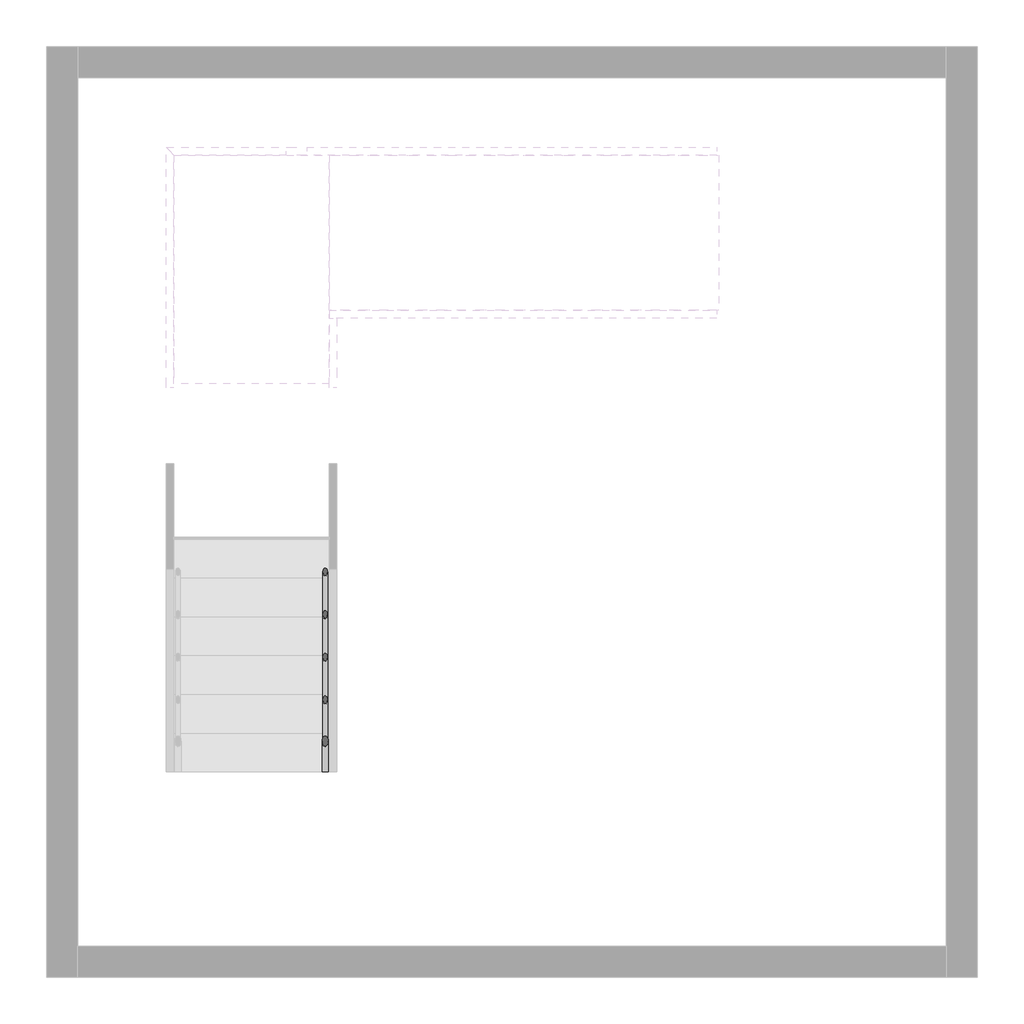
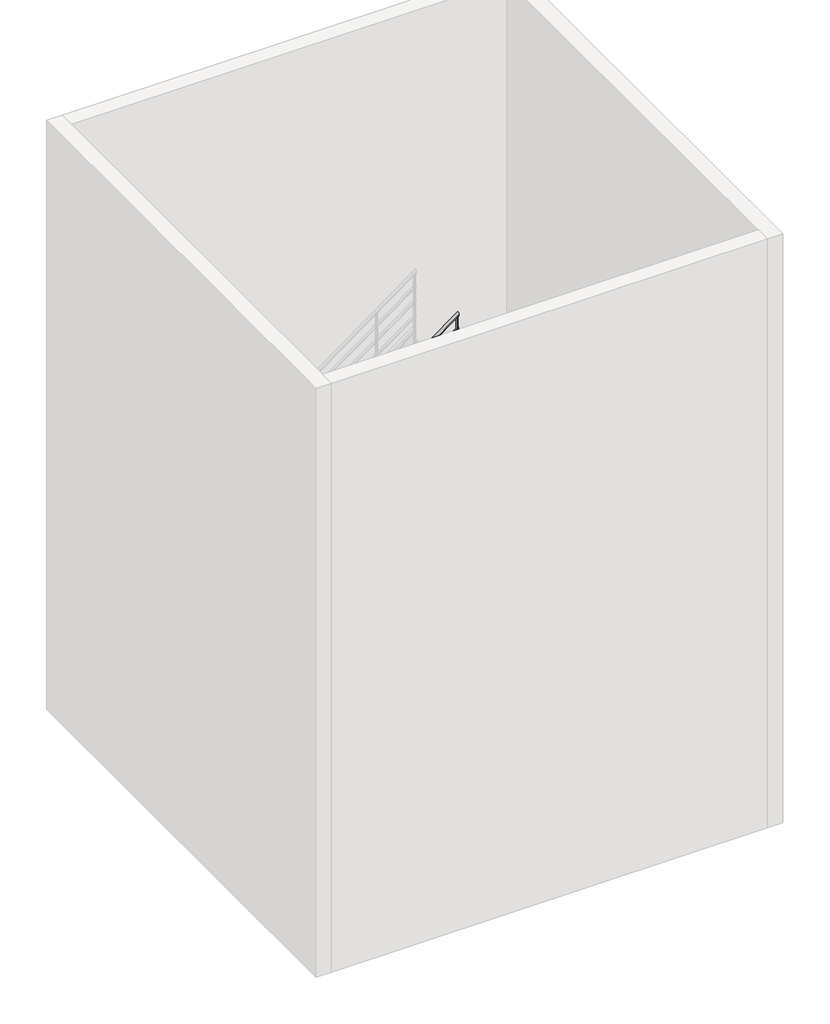
# One storey, part 3 of 7: 1 railing.
"""IFC4 building model written with IfcOpenShell, lengths in millimetres."""

from ifc_helpers import new_model, si_unit, point, frame, frame_2d, origin, place, context, project, spatial, circle_curve, ellipse_curve, trimmed, segment, composite_curve, outline, extrude, element, save
from ifc_brep_helpers import plane_surface, cylinder_surface, advanced_brep

model = new_model("IFC4")

# Units and contexts
model_context = context("Model", 3, world=origin())
ifc_project = project(units=[si_unit("LENGTHUNIT", "METRE", prefix="MILLI")], contexts=[model_context])

# Site, building, storey
site = spatial("IfcSite", under=ifc_project)
building = spatial("IfcBuilding", under=site)
storey = spatial("IfcBuildingStorey", under=building, Elevation=0.0)

# Railing
placement = place(None, origin())
element("IfcRailing", 1, at=placement, inside=storey, context=model_context, shape_type="SolidModel", body=[
    advanced_brep(
    [(-4125.8675457, -20822.7019092, 1057.0882354), (-4165.8675457, -20822.7019092, 1057.0882354), (-4125.8675457, -18316.198233, 2880.0), (-4165.8675457, -18316.198233, 2880.0), (-4125.8675457, -17822.8676251, 2880.0), (-4165.8675457, -17822.8676251, 2880.0)],
    [
        (0, 1, ellipse_curve(frame((-4145.8675457, -20822.7019092, 1057.0882354), z_axis=(0.0, -1.0, 0.0), x_axis=(0.0, 0.0, -1.0)), 24.7299464, 20.0)),
        (1, 0, ellipse_curve(frame((-4145.8675457, -20822.7019092, 1057.0882354), z_axis=(0.0, -1.0, 0.0), x_axis=(0.0, 0.0, -1.0)), 24.7299464, 20.0)),
        (0, 2),
        (2, 3, ellipse_curve(frame((-4145.8675457, -18316.198233, 2880.0), z_axis=(0.0, -0.9509826718461248, -0.3092441718907663), x_axis=(0.0, 0.309244171890767, -0.9509826718461245)), 21.0308774, 20.0)),
        (3, 1),
        (3, 2, ellipse_curve(frame((-4145.8675457, -18316.198233, 2880.0), z_axis=(0.0, -0.9509826718461248, -0.3092441718907663), x_axis=(0.0, 0.309244171890767, -0.9509826718461245)), 21.0308774, 20.0)),
        (4, 5, ellipse_curve(frame((-4145.8675457, -17822.8676251, 2880.0), z_axis=(0.0, 0.7071067811865476, 0.7071067811865476), x_axis=(0.0, -0.7071067811865474, 0.7071067811865478)), 28.2842712, 20.0)),
        (5, 4, ellipse_curve(frame((-4145.8675457, -17822.8676251, 2880.0), z_axis=(0.0, 0.7071067811865476, 0.7071067811865476), x_axis=(0.0, -0.7071067811865474, 0.7071067811865478)), 28.2842712, 20.0)),
        (2, 4),
        (5, 3),
    ],
    [
        plane_surface(frame((-4145.8675457, -20822.7019092, 1081.8181818), z_axis=(0.0, -1.0, 0.0), x_axis=(0.0, 0.0, 1.0))),
        cylinder_surface(frame((-4145.8675457, -20810.9384753, 1065.6434601), z_axis=(0.0, -0.8087360843031884, -0.5881716976750465), x_axis=(-1.0, 0.0, 0.0)), 20.0),
        plane_surface(frame((-4145.8675457, -17842.8676251, 2900.0), z_axis=(0.0, 0.7071067811865476, 0.7071067811865476), x_axis=(1.0, 0.0, 0.0))),
        cylinder_surface(frame((-4145.8675457, -18322.7019092, 2880.0), z_axis=(0.0, -1.0, 0.0), x_axis=(-1.0, 0.0, 0.0)), 20.0),
    ],
    [
        (0, [[1, 2]]),
        (1, [[-1, 3, 4, 5]]),
        (1, [[-2, -5, 6, -3]]),
        (2, [[7, 8]]),
        (3, [[-4, 9, -8, 10]]),
        (3, [[-6, -10, -7, -9]]),
    ],
),
    advanced_brep(
    [(-4125.8675457, -17822.8676251, 2880.0), (-4165.8675457, -17822.8676251, 2880.0), (-4125.8675457, -17822.8676251, 3028.4310163), (-4165.8675457, -17822.8676251, 3048.8)],
    [
        (0, 1, ellipse_curve(frame((-4145.8675457, -17822.8676251, 2880.0), z_axis=(0.0, -0.7071067811865476, -0.7071067811865476), x_axis=(0.0, 0.7071067811865476, -0.7071067811865474)), 28.2842712, 20.0)),
        (1, 0, ellipse_curve(frame((-4145.8675457, -17822.8676251, 2880.0), z_axis=(0.0, -0.7071067811865476, -0.7071067811865476), x_axis=(0.0, 0.7071067811865476, -0.7071067811865474)), 28.2842712, 20.0)),
        (2, 3, ellipse_curve(frame((-4145.8675457, -17822.8676251, 3038.6155082), z_axis=(0.45377764506691687, 0.0, 0.8911149470396753), x_axis=(0.8911149470396753, 0.0, -0.45377764506691665)), 22.4437937, 20.0)),
        (3, 2, ellipse_curve(frame((-4145.8675457, -17822.8676251, 3038.6155082), z_axis=(0.45377764506691687, 0.0, 0.8911149470396753), x_axis=(0.8911149470396753, 0.0, -0.45377764506691665)), 22.4437937, 20.0)),
        (0, 2),
        (3, 1),
    ],
    [
        plane_surface(frame((-4145.8675457, -17822.8676251, 2880.0), z_axis=(0.0, -0.7071067811865476, -0.7071067811865476), x_axis=(1.0, 0.0, 0.0))),
        plane_surface(frame((-4145.8675457, -17822.8676251, 3038.6155082), z_axis=(0.45377764506691687, 0.0, 0.8911149470396753), x_axis=(0.8911149470396753, 0.0, -0.45377764506691687))),
        cylinder_surface(frame((-4145.8675457, -17822.8676251, 2880.0), z_axis=(0.0, 0.0, -1.0), x_axis=(-1.0, 0.0, 0.0)), 20.0),
    ],
    [
        (0, [[1, 2]]),
        (1, [[3, 4]]),
        (2, [[-1, 5, -4, 6]]),
        (2, [[-2, -6, -3, -5]]),
    ],
),
    advanced_brep(
    [(-4145.8675457, -17842.8676251, 3038.6155082), (-4145.8675457, -17802.8676251, 3038.6155082), (-1620.4675457, -17842.8676251, 4875.2700536), (-1620.4675457, -17802.8676251, 4875.2700536)],
    [
        (0, 1, ellipse_curve(frame((-4145.8675457, -17822.8676251, 3038.6155082), z_axis=(-0.45377764506691687, 0.0, -0.8911149470396753), x_axis=(-0.8911149470396752, 0.0, 0.4537776450669168)), 22.4437937, 20.0)),
        (1, 0, ellipse_curve(frame((-4145.8675457, -17822.8676251, 3038.6155082), z_axis=(-0.45377764506691687, 0.0, -0.8911149470396753), x_axis=(-0.8911149470396752, 0.0, 0.4537776450669168)), 22.4437937, 20.0)),
        (2, 3, ellipse_curve(frame((-1620.4675457, -17822.8676251, 4875.2700536), z_axis=(1.0, 0.0, 0.0), x_axis=(0.0, 0.0, -1.0)), 24.7299464, 20.0)),
        (3, 2, ellipse_curve(frame((-1620.4675457, -17822.8676251, 4875.2700536), z_axis=(1.0, 0.0, 0.0), x_axis=(0.0, 0.0, -1.0)), 24.7299464, 20.0)),
        (0, 2),
        (3, 1),
    ],
    [
        plane_surface(frame((-4165.8675457, -17822.8676251, 3048.8), z_axis=(-0.45377764506691687, 0.0, -0.8911149470396753), x_axis=(0.8911149470396753, 0.0, -0.45377764506691687))),
        plane_surface(frame((-1620.4675457, -17822.8676251, 4900.0), z_axis=(1.0, 0.0, 0.0), x_axis=(0.0, 1.0, 0.0))),
        cylinder_surface(frame((-4154.1041118, -17822.8676251, 3032.6252783), z_axis=(-0.8087360843031884, 0.0, -0.5881716976750465), x_axis=(0.0, 1.0, 0.0)), 20.0),
    ],
    [
        (0, [[1, 2]]),
        (1, [[3, 4]]),
        (2, [[-1, 5, -4, 6]]),
        (2, [[-2, -6, -3, -5]]),
    ],
),
    advanced_brep(
    [(-4160.8675457, -20822.7019092, 863.270722), (-4130.8675457, -20822.7019092, 863.270722), (-4160.8675457, -18322.7019092, 2681.4525402), (-4130.8675457, -18322.7019092, 2681.4525402)],
    [
        (0, 1, ellipse_curve(frame((-4145.8675457, -20822.7019092, 863.270722), z_axis=(0.0, -1.0, 0.0), x_axis=(0.0, 0.0, -1.0)), 18.5474598, 15.0)),
        (1, 0, ellipse_curve(frame((-4145.8675457, -20822.7019092, 863.270722), z_axis=(0.0, -1.0, 0.0), x_axis=(0.0, 0.0, -1.0)), 18.5474598, 15.0)),
        (2, 3, ellipse_curve(frame((-4145.8675457, -18322.7019092, 2681.4525402), z_axis=(0.0, 1.0, 0.0), x_axis=(0.0, 0.0, -1.0)), 18.5474598, 15.0)),
        (3, 2, ellipse_curve(frame((-4145.8675457, -18322.7019092, 2681.4525402), z_axis=(0.0, 1.0, 0.0), x_axis=(0.0, 0.0, -1.0)), 18.5474598, 15.0)),
        (0, 2),
        (3, 1),
    ],
    [
        plane_surface(frame((-4145.8675457, -20822.7019092, 881.8181818), z_axis=(0.0, -1.0, 0.0), x_axis=(0.0, 0.0, 1.0))),
        plane_surface(frame((-4145.8675457, -18322.7019092, 2700.0), z_axis=(0.0, 1.0, 0.0), x_axis=(0.0, 0.0, 1.0))),
        cylinder_surface(frame((-4145.8675457, -20813.8793338, 869.6871406), z_axis=(0.0, -0.8087360843031881, -0.5881716976750467), x_axis=(1.0, 0.0, 0.0)), 15.0),
    ],
    [
        (0, [[1, 2]]),
        (1, [[3, 4]]),
        (2, [[-1, 5, -4, 6]]),
        (2, [[-2, -6, -3, -5]]),
    ],
),
    advanced_brep(
    [(-4160.8675457, -18322.7019092, 2685.0), (-4130.8675457, -18322.7019092, 2685.0), (-4160.8675457, -17837.8676251, 2685.0), (-4130.8675457, -17837.8676251, 2685.0)],
    [
        (0, 1, circle_curve(frame((-4145.8675457, -18322.7019092, 2685.0), z_axis=(0.0, -1.0, 0.0), x_axis=(1.0, 0.0, 0.0)), 15.0)),
        (1, 0, circle_curve(frame((-4145.8675457, -18322.7019092, 2685.0), z_axis=(0.0, -1.0, 0.0), x_axis=(1.0, 0.0, 0.0)), 15.0)),
        (2, 3, circle_curve(frame((-4145.8675457, -17837.8676251, 2685.0), z_axis=(0.0, 1.0, 0.0), x_axis=(1.0, 0.0, 0.0)), 15.0)),
        (3, 2, circle_curve(frame((-4145.8675457, -17837.8676251, 2685.0), z_axis=(0.0, 1.0, 0.0), x_axis=(1.0, 0.0, 0.0)), 15.0)),
        (0, 2),
        (3, 1),
    ],
    [
        plane_surface(frame((-4145.8675457, -18322.7019092, 2700.0), z_axis=(0.0, -1.0, 0.0), x_axis=(0.0, 0.0, 1.0))),
        plane_surface(frame((-4145.8675457, -17837.8676251, 2700.0), z_axis=(0.0, 1.0, 0.0), x_axis=(0.0, 0.0, 1.0))),
        cylinder_surface(frame((-4145.8675457, -18322.7019092, 2685.0), z_axis=(0.0, -1.0, 0.0), x_axis=(1.0, 0.0, 0.0)), 15.0),
    ],
    [
        (0, [[1, 2]]),
        (1, [[3, 4]]),
        (2, [[-1, 5, -4, 6]]),
        (2, [[-2, -6, -3, -5]]),
    ],
),
    advanced_brep(
    [(-4160.8675457, -17807.8676251, 2833.8889039), (-4160.8675457, -17837.8676251, 2833.8889039), (-1620.4675457, -17807.8676251, 4681.4525402), (-1620.4675457, -17837.8676251, 4681.4525402)],
    [
        (0, 1, ellipse_curve(frame((-4160.8675457, -17822.8676251, 2833.8889039), z_axis=(-1.0, 0.0, 0.0), x_axis=(0.0, 0.0, -0.9999999999999999)), 18.5474598, 15.0)),
        (1, 0, ellipse_curve(frame((-4160.8675457, -17822.8676251, 2833.8889039), z_axis=(-1.0, 0.0, 0.0), x_axis=(0.0, 0.0, -0.9999999999999999)), 18.5474598, 15.0)),
        (2, 3, ellipse_curve(frame((-1620.4675457, -17822.8676251, 4681.4525402), z_axis=(1.0, 0.0, 0.0), x_axis=(0.0, 0.0, -0.9999999999999999)), 18.5474598, 15.0)),
        (3, 2, ellipse_curve(frame((-1620.4675457, -17822.8676251, 4681.4525402), z_axis=(1.0, 0.0, 0.0), x_axis=(0.0, 0.0, -0.9999999999999999)), 18.5474598, 15.0)),
        (0, 2),
        (3, 1),
    ],
    [
        plane_surface(frame((-4160.8675457, -17822.8676251, 2852.4363636), z_axis=(-1.0, 0.0, 0.0), x_axis=(0.0, 1.0, 0.0))),
        plane_surface(frame((-1620.4675457, -17822.8676251, 4700.0), z_axis=(1.0, 0.0, 0.0), x_axis=(0.0, 1.0, 0.0))),
        cylinder_surface(frame((-4152.0449703, -17822.8676251, 2840.3053224), z_axis=(-0.8087360843031886, 0.0, -0.5881716976750463), x_axis=(0.0, -1.0, 0.0)), 15.0),
    ],
    [
        (0, [[1, 2]]),
        (1, [[3, 4]]),
        (2, [[-1, 5, -4, 6]]),
        (2, [[-2, -6, -3, -5]]),
    ],
),
    advanced_brep(
    [(-4160.8675457, -20822.7019092, 663.270722), (-4130.8675457, -20822.7019092, 663.270722), (-4160.8675457, -18322.7019092, 2481.4525402), (-4130.8675457, -18322.7019092, 2481.4525402)],
    [
        (0, 1, ellipse_curve(frame((-4145.8675457, -20822.7019092, 663.270722), z_axis=(0.0, -1.0, 0.0), x_axis=(0.0, 0.0, -1.0)), 18.5474598, 15.0)),
        (1, 0, ellipse_curve(frame((-4145.8675457, -20822.7019092, 663.270722), z_axis=(0.0, -1.0, 0.0), x_axis=(0.0, 0.0, -1.0)), 18.5474598, 15.0)),
        (2, 3, ellipse_curve(frame((-4145.8675457, -18322.7019092, 2481.4525402), z_axis=(0.0, 1.0, 0.0), x_axis=(0.0, 0.0, -1.0)), 18.5474598, 15.0)),
        (3, 2, ellipse_curve(frame((-4145.8675457, -18322.7019092, 2481.4525402), z_axis=(0.0, 1.0, 0.0), x_axis=(0.0, 0.0, -1.0)), 18.5474598, 15.0)),
        (0, 2),
        (3, 1),
    ],
    [
        plane_surface(frame((-4145.8675457, -20822.7019092, 681.8181818), z_axis=(0.0, -1.0, 0.0), x_axis=(0.0, 0.0, 1.0))),
        plane_surface(frame((-4145.8675457, -18322.7019092, 2500.0), z_axis=(0.0, 1.0, 0.0), x_axis=(0.0, 0.0, 1.0))),
        cylinder_surface(frame((-4145.8675457, -20813.8793338, 669.6871406), z_axis=(0.0, -0.8087360843031881, -0.5881716976750467), x_axis=(1.0, 0.0, 0.0)), 15.0),
    ],
    [
        (0, [[1, 2]]),
        (1, [[3, 4]]),
        (2, [[-1, 5, -4, 6]]),
        (2, [[-2, -6, -3, -5]]),
    ],
),
    advanced_brep(
    [(-4160.8675457, -18322.7019092, 2485.0), (-4130.8675457, -18322.7019092, 2485.0), (-4160.8675457, -17837.8676251, 2485.0), (-4130.8675457, -17837.8676251, 2485.0)],
    [
        (0, 1, circle_curve(frame((-4145.8675457, -18322.7019092, 2485.0), z_axis=(0.0, -1.0, 0.0), x_axis=(1.0, 0.0, 0.0)), 15.0)),
        (1, 0, circle_curve(frame((-4145.8675457, -18322.7019092, 2485.0), z_axis=(0.0, -1.0, 0.0), x_axis=(1.0, 0.0, 0.0)), 15.0)),
        (2, 3, circle_curve(frame((-4145.8675457, -17837.8676251, 2485.0), z_axis=(0.0, 1.0, 0.0), x_axis=(1.0, 0.0, 0.0)), 15.0)),
        (3, 2, circle_curve(frame((-4145.8675457, -17837.8676251, 2485.0), z_axis=(0.0, 1.0, 0.0), x_axis=(1.0, 0.0, 0.0)), 15.0)),
        (0, 2),
        (3, 1),
    ],
    [
        plane_surface(frame((-4145.8675457, -18322.7019092, 2500.0), z_axis=(0.0, -1.0, 0.0), x_axis=(0.0, 0.0, 1.0))),
        plane_surface(frame((-4145.8675457, -17837.8676251, 2500.0), z_axis=(0.0, 1.0, 0.0), x_axis=(0.0, 0.0, 1.0))),
        cylinder_surface(frame((-4145.8675457, -18322.7019092, 2485.0), z_axis=(0.0, -1.0, 0.0), x_axis=(1.0, 0.0, 0.0)), 15.0),
    ],
    [
        (0, [[1, 2]]),
        (1, [[3, 4]]),
        (2, [[-1, 5, -4, 6]]),
        (2, [[-2, -6, -3, -5]]),
    ],
),
    advanced_brep(
    [(-4160.8675457, -17807.8676251, 2633.8889039), (-4160.8675457, -17837.8676251, 2633.8889039), (-1620.4675457, -17807.8676251, 4481.4525402), (-1620.4675457, -17837.8676251, 4481.4525402)],
    [
        (0, 1, ellipse_curve(frame((-4160.8675457, -17822.8676251, 2633.8889039), z_axis=(-1.0, 0.0, 0.0), x_axis=(0.0, 0.0, -0.9999999999999999)), 18.5474598, 15.0)),
        (1, 0, ellipse_curve(frame((-4160.8675457, -17822.8676251, 2633.8889039), z_axis=(-1.0, 0.0, 0.0), x_axis=(0.0, 0.0, -0.9999999999999999)), 18.5474598, 15.0)),
        (2, 3, ellipse_curve(frame((-1620.4675457, -17822.8676251, 4481.4525402), z_axis=(1.0, 0.0, 0.0), x_axis=(0.0, 0.0, -0.9999999999999999)), 18.5474598, 15.0)),
        (3, 2, ellipse_curve(frame((-1620.4675457, -17822.8676251, 4481.4525402), z_axis=(1.0, 0.0, 0.0), x_axis=(0.0, 0.0, -0.9999999999999999)), 18.5474598, 15.0)),
        (0, 2),
        (3, 1),
    ],
    [
        plane_surface(frame((-4160.8675457, -17822.8676251, 2652.4363636), z_axis=(-1.0, 0.0, 0.0), x_axis=(0.0, 1.0, 0.0))),
        plane_surface(frame((-1620.4675457, -17822.8676251, 4500.0), z_axis=(1.0, 0.0, 0.0), x_axis=(0.0, 1.0, 0.0))),
        cylinder_surface(frame((-4152.0449703, -17822.8676251, 2640.3053224), z_axis=(-0.8087360843031886, 0.0, -0.5881716976750463), x_axis=(0.0, -1.0, 0.0)), 15.0),
    ],
    [
        (0, [[1, 2]]),
        (1, [[3, 4]]),
        (2, [[-1, 5, -4, 6]]),
        (2, [[-2, -6, -3, -5]]),
    ],
),
    advanced_brep(
    [(-4160.8675457, -20822.7019092, 463.270722), (-4130.8675457, -20822.7019092, 463.270722), (-4160.8675457, -18322.7019092, 2281.4525402), (-4130.8675457, -18322.7019092, 2281.4525402)],
    [
        (0, 1, ellipse_curve(frame((-4145.8675457, -20822.7019092, 463.270722), z_axis=(0.0, -1.0, 0.0), x_axis=(0.0, 0.0, -1.0)), 18.5474598, 15.0)),
        (1, 0, ellipse_curve(frame((-4145.8675457, -20822.7019092, 463.270722), z_axis=(0.0, -1.0, 0.0), x_axis=(0.0, 0.0, -1.0)), 18.5474598, 15.0)),
        (2, 3, ellipse_curve(frame((-4145.8675457, -18322.7019092, 2281.4525402), z_axis=(0.0, 1.0, 0.0), x_axis=(0.0, 0.0, -1.0)), 18.5474598, 15.0)),
        (3, 2, ellipse_curve(frame((-4145.8675457, -18322.7019092, 2281.4525402), z_axis=(0.0, 1.0, 0.0), x_axis=(0.0, 0.0, -1.0)), 18.5474598, 15.0)),
        (0, 2),
        (3, 1),
    ],
    [
        plane_surface(frame((-4145.8675457, -20822.7019092, 481.8181818), z_axis=(0.0, -1.0, 0.0), x_axis=(0.0, 0.0, 1.0))),
        plane_surface(frame((-4145.8675457, -18322.7019092, 2300.0), z_axis=(0.0, 1.0, 0.0), x_axis=(0.0, 0.0, 1.0))),
        cylinder_surface(frame((-4145.8675457, -20813.8793338, 469.6871406), z_axis=(0.0, -0.8087360843031881, -0.5881716976750467), x_axis=(1.0, 0.0, 0.0)), 15.0),
    ],
    [
        (0, [[1, 2]]),
        (1, [[3, 4]]),
        (2, [[-1, 5, -4, 6]]),
        (2, [[-2, -6, -3, -5]]),
    ],
),
    advanced_brep(
    [(-4160.8675457, -18322.7019092, 2285.0), (-4130.8675457, -18322.7019092, 2285.0), (-4160.8675457, -17837.8676251, 2285.0), (-4130.8675457, -17837.8676251, 2285.0)],
    [
        (0, 1, circle_curve(frame((-4145.8675457, -18322.7019092, 2285.0), z_axis=(0.0, -1.0, 0.0), x_axis=(1.0, 0.0, 0.0)), 15.0)),
        (1, 0, circle_curve(frame((-4145.8675457, -18322.7019092, 2285.0), z_axis=(0.0, -1.0, 0.0), x_axis=(1.0, 0.0, 0.0)), 15.0)),
        (2, 3, circle_curve(frame((-4145.8675457, -17837.8676251, 2285.0), z_axis=(0.0, 1.0, 0.0), x_axis=(1.0, 0.0, 0.0)), 15.0)),
        (3, 2, circle_curve(frame((-4145.8675457, -17837.8676251, 2285.0), z_axis=(0.0, 1.0, 0.0), x_axis=(1.0, 0.0, 0.0)), 15.0)),
        (0, 2),
        (3, 1),
    ],
    [
        plane_surface(frame((-4145.8675457, -18322.7019092, 2300.0), z_axis=(0.0, -1.0, 0.0), x_axis=(0.0, 0.0, 1.0))),
        plane_surface(frame((-4145.8675457, -17837.8676251, 2300.0), z_axis=(0.0, 1.0, 0.0), x_axis=(0.0, 0.0, 1.0))),
        cylinder_surface(frame((-4145.8675457, -18322.7019092, 2285.0), z_axis=(0.0, -1.0, 0.0), x_axis=(1.0, 0.0, 0.0)), 15.0),
    ],
    [
        (0, [[1, 2]]),
        (1, [[3, 4]]),
        (2, [[-1, 5, -4, 6]]),
        (2, [[-2, -6, -3, -5]]),
    ],
),
    advanced_brep(
    [(-4160.8675457, -17807.8676251, 2433.8889039), (-4160.8675457, -17837.8676251, 2433.8889039), (-1620.4675457, -17807.8676251, 4281.4525402), (-1620.4675457, -17837.8676251, 4281.4525402)],
    [
        (0, 1, ellipse_curve(frame((-4160.8675457, -17822.8676251, 2433.8889039), z_axis=(-1.0, 0.0, 0.0), x_axis=(0.0, 0.0, -0.9999999999999999)), 18.5474598, 15.0)),
        (1, 0, ellipse_curve(frame((-4160.8675457, -17822.8676251, 2433.8889039), z_axis=(-1.0, 0.0, 0.0), x_axis=(0.0, 0.0, -0.9999999999999999)), 18.5474598, 15.0)),
        (2, 3, ellipse_curve(frame((-1620.4675457, -17822.8676251, 4281.4525402), z_axis=(1.0, 0.0, 0.0), x_axis=(0.0, 0.0, -0.9999999999999999)), 18.5474598, 15.0)),
        (3, 2, ellipse_curve(frame((-1620.4675457, -17822.8676251, 4281.4525402), z_axis=(1.0, 0.0, 0.0), x_axis=(0.0, 0.0, -0.9999999999999999)), 18.5474598, 15.0)),
        (0, 2),
        (3, 1),
    ],
    [
        plane_surface(frame((-4160.8675457, -17822.8676251, 2452.4363636), z_axis=(-1.0, 0.0, 0.0), x_axis=(0.0, 1.0, 0.0))),
        plane_surface(frame((-1620.4675457, -17822.8676251, 4300.0), z_axis=(1.0, 0.0, 0.0), x_axis=(0.0, 1.0, 0.0))),
        cylinder_surface(frame((-4152.0449703, -17822.8676251, 2440.3053224), z_axis=(-0.8087360843031886, 0.0, -0.5881716976750463), x_axis=(0.0, -1.0, 0.0)), 15.0),
    ],
    [
        (0, [[1, 2]]),
        (1, [[3, 4]]),
        (2, [[-1, 5, -4, 6]]),
        (2, [[-2, -6, -3, -5]]),
    ],
),
    advanced_brep(
    [(-4160.8675457, -20822.7019092, 263.270722), (-4130.8675457, -20822.7019092, 263.270722), (-4160.8675457, -18322.7019092, 2081.4525402), (-4130.8675457, -18322.7019092, 2081.4525402)],
    [
        (0, 1, ellipse_curve(frame((-4145.8675457, -20822.7019092, 263.270722), z_axis=(0.0, -1.0, 0.0), x_axis=(0.0, 0.0, -1.0)), 18.5474598, 15.0)),
        (1, 0, ellipse_curve(frame((-4145.8675457, -20822.7019092, 263.270722), z_axis=(0.0, -1.0, 0.0), x_axis=(0.0, 0.0, -1.0)), 18.5474598, 15.0)),
        (2, 3, ellipse_curve(frame((-4145.8675457, -18322.7019092, 2081.4525402), z_axis=(0.0, 1.0, 0.0), x_axis=(0.0, 0.0, -1.0)), 18.5474598, 15.0)),
        (3, 2, ellipse_curve(frame((-4145.8675457, -18322.7019092, 2081.4525402), z_axis=(0.0, 1.0, 0.0), x_axis=(0.0, 0.0, -1.0)), 18.5474598, 15.0)),
        (0, 2),
        (3, 1),
    ],
    [
        plane_surface(frame((-4145.8675457, -20822.7019092, 281.8181818), z_axis=(0.0, -1.0, 0.0), x_axis=(0.0, 0.0, 1.0))),
        plane_surface(frame((-4145.8675457, -18322.7019092, 2100.0), z_axis=(0.0, 1.0, 0.0), x_axis=(0.0, 0.0, 1.0))),
        cylinder_surface(frame((-4145.8675457, -20813.8793338, 269.6871406), z_axis=(0.0, -0.8087360843031881, -0.5881716976750467), x_axis=(1.0, 0.0, 0.0)), 15.0),
    ],
    [
        (0, [[1, 2]]),
        (1, [[3, 4]]),
        (2, [[-1, 5, -4, 6]]),
        (2, [[-2, -6, -3, -5]]),
    ],
),
    advanced_brep(
    [(-4160.8675457, -18322.7019092, 2085.0), (-4130.8675457, -18322.7019092, 2085.0), (-4160.8675457, -17837.8676251, 2085.0), (-4130.8675457, -17837.8676251, 2085.0)],
    [
        (0, 1, circle_curve(frame((-4145.8675457, -18322.7019092, 2085.0), z_axis=(0.0, -1.0, 0.0), x_axis=(1.0, 0.0, 0.0)), 15.0)),
        (1, 0, circle_curve(frame((-4145.8675457, -18322.7019092, 2085.0), z_axis=(0.0, -1.0, 0.0), x_axis=(1.0, 0.0, 0.0)), 15.0)),
        (2, 3, circle_curve(frame((-4145.8675457, -17837.8676251, 2085.0), z_axis=(0.0, 1.0, 0.0), x_axis=(1.0, 0.0, 0.0)), 15.0)),
        (3, 2, circle_curve(frame((-4145.8675457, -17837.8676251, 2085.0), z_axis=(0.0, 1.0, 0.0), x_axis=(1.0, 0.0, 0.0)), 15.0)),
        (0, 2),
        (3, 1),
    ],
    [
        plane_surface(frame((-4145.8675457, -18322.7019092, 2100.0), z_axis=(0.0, -1.0, 0.0), x_axis=(0.0, 0.0, 1.0))),
        plane_surface(frame((-4145.8675457, -17837.8676251, 2100.0), z_axis=(0.0, 1.0, 0.0), x_axis=(0.0, 0.0, 1.0))),
        cylinder_surface(frame((-4145.8675457, -18322.7019092, 2085.0), z_axis=(0.0, -1.0, 0.0), x_axis=(1.0, 0.0, 0.0)), 15.0),
    ],
    [
        (0, [[1, 2]]),
        (1, [[3, 4]]),
        (2, [[-1, 5, -4, 6]]),
        (2, [[-2, -6, -3, -5]]),
    ],
),
    advanced_brep(
    [(-4160.8675457, -17807.8676251, 2233.8889039), (-4160.8675457, -17837.8676251, 2233.8889039), (-1620.4675457, -17807.8676251, 4081.4525402), (-1620.4675457, -17837.8676251, 4081.4525402)],
    [
        (0, 1, ellipse_curve(frame((-4160.8675457, -17822.8676251, 2233.8889039), z_axis=(-1.0, 0.0, 0.0), x_axis=(0.0, 0.0, -0.9999999999999999)), 18.5474598, 15.0)),
        (1, 0, ellipse_curve(frame((-4160.8675457, -17822.8676251, 2233.8889039), z_axis=(-1.0, 0.0, 0.0), x_axis=(0.0, 0.0, -0.9999999999999999)), 18.5474598, 15.0)),
        (2, 3, ellipse_curve(frame((-1620.4675457, -17822.8676251, 4081.4525402), z_axis=(1.0, 0.0, 0.0), x_axis=(0.0, 0.0, -0.9999999999999999)), 18.5474598, 15.0)),
        (3, 2, ellipse_curve(frame((-1620.4675457, -17822.8676251, 4081.4525402), z_axis=(1.0, 0.0, 0.0), x_axis=(0.0, 0.0, -0.9999999999999999)), 18.5474598, 15.0)),
        (0, 2),
        (3, 1),
    ],
    [
        plane_surface(frame((-4160.8675457, -17822.8676251, 2252.4363636), z_axis=(-1.0, 0.0, 0.0), x_axis=(0.0, 1.0, 0.0))),
        plane_surface(frame((-1620.4675457, -17822.8676251, 4100.0), z_axis=(1.0, 0.0, 0.0), x_axis=(0.0, 1.0, 0.0))),
        cylinder_surface(frame((-4152.0449703, -17822.8676251, 2240.3053224), z_axis=(-0.8087360843031886, 0.0, -0.5881716976750463), x_axis=(0.0, -1.0, 0.0)), 15.0),
    ],
    [
        (0, [[1, 2]]),
        (1, [[3, 4]]),
        (2, [[-1, 5, -4, 6]]),
        (2, [[-2, -6, -3, -5]]),
    ],
),
    advanced_brep(
    [(-2145.8675457, -17835.3676251, 4468.4310163), (-2145.8675457, -17835.3676251, 3454.5454545), (-2145.8675457, -17810.3676251, 3454.5454545), (-2145.8675457, -17810.3676251, 4468.4310163)],
    [
        (0, 1),
        (1, 2, circle_curve(frame((-2145.8675457, -17822.8676251, 3454.5454545), z_axis=(0.0, 0.0, 1.0), x_axis=(0.0, 1.0, 0.0)), 12.5)),
        (2, 3),
        (3, 0, ellipse_curve(frame((-2145.8675457, -17822.8676251, 4468.4310163), z_axis=(0.5881716976750468, 0.0, -0.8087360843031881), x_axis=(0.8087360843031881, 0.0, 0.5881716976750467)), 15.4562165, 12.5)),
        (0, 3, ellipse_curve(frame((-2145.8675457, -17822.8676251, 4468.4310163), z_axis=(0.5881716976750468, 0.0, -0.8087360843031881), x_axis=(0.8087360843031881, 0.0, 0.5881716976750467)), 15.4562165, 12.5)),
        (2, 1, circle_curve(frame((-2145.8675457, -17822.8676251, 3454.5454545), z_axis=(0.0, 0.0, 1.0), x_axis=(0.0, 1.0, 0.0)), 12.5)),
    ],
    [
        cylinder_surface(frame((-2145.8675457, -17822.8676251, 3354.5454545), z_axis=(0.0, 0.0, 1.0), x_axis=(0.0, 1.0, 0.0)), 12.5),
        plane_surface(frame((-2120.8675457, -17797.8676251, 4486.6128345), z_axis=(-0.5881716976750468, 0.0, 0.8087360843031881), x_axis=(0.0, -1.0, 0.0))),
        plane_surface(frame((-2170.8675457, -17797.8676251, 3454.5454545), z_axis=(0.0, 0.0, -1.0), x_axis=(0.0, -1.0, 0.0))),
    ],
    [
        (0, [[1, 2, 3, 4]]),
        (0, [[-1, 5, -3, 6]]),
        (1, [[-4, -5]]),
        (2, [[-2, -6]]),
    ],
),
    advanced_brep(
    [(-3145.8675457, -17835.3676251, 3741.1582891), (-3145.8675457, -17835.3676251, 2727.2727273), (-3145.8675457, -17810.3676251, 2727.2727273), (-3145.8675457, -17810.3676251, 3741.1582891)],
    [
        (0, 1),
        (1, 2, circle_curve(frame((-3145.8675457, -17822.8676251, 2727.2727273), z_axis=(0.0, 0.0, 1.0), x_axis=(0.0, 1.0, 0.0)), 12.5)),
        (2, 3),
        (3, 0, ellipse_curve(frame((-3145.8675457, -17822.8676251, 3741.1582891), z_axis=(0.5881716976750468, 0.0, -0.8087360843031881), x_axis=(0.8087360843031881, 0.0, 0.5881716976750467)), 15.4562165, 12.5)),
        (0, 3, ellipse_curve(frame((-3145.8675457, -17822.8676251, 3741.1582891), z_axis=(0.5881716976750468, 0.0, -0.8087360843031881), x_axis=(0.8087360843031881, 0.0, 0.5881716976750467)), 15.4562165, 12.5)),
        (2, 1, circle_curve(frame((-3145.8675457, -17822.8676251, 2727.2727273), z_axis=(0.0, 0.0, 1.0), x_axis=(0.0, 1.0, 0.0)), 12.5)),
    ],
    [
        cylinder_surface(frame((-3145.8675457, -17822.8676251, 2627.2727273), z_axis=(0.0, 0.0, 1.0), x_axis=(0.0, 1.0, 0.0)), 12.5),
        plane_surface(frame((-3120.8675457, -17797.8676251, 3759.3401072), z_axis=(-0.5881716976750468, 0.0, 0.8087360843031881), x_axis=(0.0, -1.0, 0.0))),
        plane_surface(frame((-3170.8675457, -17797.8676251, 2727.2727273), z_axis=(0.0, 0.0, -1.0), x_axis=(0.0, -1.0, 0.0))),
    ],
    [
        (0, [[1, 2, 3, 4]]),
        (0, [[-1, 5, -3, 6]]),
        (1, [[-4, -5]]),
        (2, [[-2, -6]]),
    ],
),
    advanced_brep(
    [(-4133.3675457, -18822.7019092, 2486.9037436), (-4133.3675457, -18822.7019092, 1636.3636364), (-4158.3675457, -18822.7019092, 1636.3636364), (-4158.3675457, -18822.7019092, 2486.9037436)],
    [
        (0, 1),
        (1, 2, circle_curve(frame((-4145.8675457, -18822.7019092, 1636.3636364), z_axis=(0.0, 0.0, 1.0), x_axis=(-1.0, 0.0, 0.0)), 12.5)),
        (2, 3),
        (3, 0, ellipse_curve(frame((-4145.8675457, -18822.7019092, 2486.9037436), z_axis=(0.0, 0.5881716976750454, -0.8087360843031891), x_axis=(0.0, 0.8087360843031891, 0.5881716976750453)), 15.4562165, 12.5)),
        (0, 3, ellipse_curve(frame((-4145.8675457, -18822.7019092, 2486.9037436), z_axis=(0.0, 0.5881716976750454, -0.8087360843031891), x_axis=(0.0, 0.8087360843031891, 0.5881716976750453)), 15.4562165, 12.5)),
        (2, 1, circle_curve(frame((-4145.8675457, -18822.7019092, 1636.3636364), z_axis=(0.0, 0.0, 1.0), x_axis=(-1.0, 0.0, 0.0)), 12.5)),
    ],
    [
        cylinder_surface(frame((-4145.8675457, -18822.7019092, 1536.3636364), z_axis=(0.0, 0.0, 1.0), x_axis=(-1.0, 0.0, 0.0)), 12.5),
        plane_surface(frame((-4170.8675457, -18797.7019092, 2505.0855618), z_axis=(0.0, -0.5881716976750454, 0.8087360843031891), x_axis=(1.0, 0.0, 0.0))),
        plane_surface(frame((-4170.8675457, -18847.7019092, 1636.3636364), z_axis=(0.0, 0.0, -1.0), x_axis=(1.0, 0.0, 0.0))),
    ],
    [
        (0, [[1, 2, 3, 4]]),
        (0, [[-1, 5, -3, 6]]),
        (1, [[-4, -5]]),
        (2, [[-2, -6]]),
    ],
),
    advanced_brep(
    [(-4133.3675457, -19822.7019092, 1759.6310163), (-4133.3675457, -19822.7019092, 909.0909091), (-4158.3675457, -19822.7019092, 909.0909091), (-4158.3675457, -19822.7019092, 1759.6310163)],
    [
        (0, 1),
        (1, 2, circle_curve(frame((-4145.8675457, -19822.7019092, 909.0909091), z_axis=(0.0, 0.0, 1.0), x_axis=(-1.0, 0.0, 0.0)), 12.5)),
        (2, 3),
        (3, 0, ellipse_curve(frame((-4145.8675457, -19822.7019092, 1759.6310163), z_axis=(0.0, 0.5881716976750454, -0.8087360843031891), x_axis=(0.0, 0.8087360843031891, 0.5881716976750453)), 15.4562165, 12.5)),
        (0, 3, ellipse_curve(frame((-4145.8675457, -19822.7019092, 1759.6310163), z_axis=(0.0, 0.5881716976750454, -0.8087360843031891), x_axis=(0.0, 0.8087360843031891, 0.5881716976750453)), 15.4562165, 12.5)),
        (2, 1, circle_curve(frame((-4145.8675457, -19822.7019092, 909.0909091), z_axis=(0.0, 0.0, 1.0), x_axis=(-1.0, 0.0, 0.0)), 12.5)),
    ],
    [
        cylinder_surface(frame((-4145.8675457, -19822.7019092, 809.0909091), z_axis=(0.0, 0.0, 1.0), x_axis=(-1.0, 0.0, 0.0)), 12.5),
        plane_surface(frame((-4170.8675457, -19797.7019092, 1777.8128345), z_axis=(0.0, -0.5881716976750454, 0.8087360843031891), x_axis=(1.0, 0.0, 0.0))),
        plane_surface(frame((-4170.8675457, -19847.7019092, 909.0909091), z_axis=(0.0, 0.0, -1.0), x_axis=(1.0, 0.0, 0.0))),
    ],
    [
        (0, [[1, 2, 3, 4]]),
        (0, [[-1, 5, -3, 6]]),
        (1, [[-4, -5]]),
        (2, [[-2, -6]]),
    ],
),
    extrude(outline(composite_curve([segment(trimmed(circle_curve(frame_2d((-4145.8675457, -17822.8676251)), 12.5), [point((-4158.3675457, -17822.8676251))], [point((-4133.3675457, -17822.8676251))], False, "CARTESIAN"), True, "CONTINUOUS"), segment(trimmed(circle_curve(frame_2d((-4145.8675457, -17822.8676251)), 12.5), [point((-4133.3675457, -17822.8676251))], [point((-4158.3675457, -17822.8676251))], False, "CARTESIAN"), True, "CONTINUOUS")], self_intersect=False)), frame((0.0, 0.0, 2000.0), z_axis=(0.0, 0.0, 1.0), x_axis=(1.0, 0.0, 0.0)), (0.0, 0.0, 1.0), 860.0),
    advanced_brep(
    [(-4133.3675457, -18322.7019092, 2850.5401072), (-4133.3675457, -18322.7019092, 2000.0), (-4158.3675457, -18322.7019092, 2000.0), (-4158.3675457, -18322.7019092, 2850.5401072)],
    [
        (0, 1),
        (1, 2, circle_curve(frame((-4145.8675457, -18322.7019092, 2000.0), z_axis=(0.0, 0.0, 1.0), x_axis=(-1.0, 0.0, 0.0)), 12.5)),
        (2, 3),
        (3, 0, ellipse_curve(frame((-4145.8675457, -18322.7019092, 2850.5401072), z_axis=(0.0, 0.5881716976750454, -0.8087360843031891), x_axis=(0.0, 0.8087360843031891, 0.5881716976750453)), 15.4562165, 12.5)),
        (0, 3, ellipse_curve(frame((-4145.8675457, -18322.7019092, 2850.5401072), z_axis=(0.0, 0.5881716976750454, -0.8087360843031891), x_axis=(0.0, 0.8087360843031891, 0.5881716976750453)), 15.4562165, 12.5)),
        (2, 1, circle_curve(frame((-4145.8675457, -18322.7019092, 2000.0), z_axis=(0.0, 0.0, 1.0), x_axis=(-1.0, 0.0, 0.0)), 12.5)),
    ],
    [
        cylinder_surface(frame((-4145.8675457, -18322.7019092, 1900.0), z_axis=(0.0, 0.0, 1.0), x_axis=(-1.0, 0.0, 0.0)), 12.5),
        plane_surface(frame((-4170.8675457, -18297.7019092, 2868.7219254), z_axis=(0.0, -0.5881716976750454, 0.8087360843031891), x_axis=(1.0, 0.0, 0.0))),
        plane_surface(frame((-4170.8675457, -18347.7019092, 2000.0), z_axis=(0.0, 0.0, -1.0), x_axis=(1.0, 0.0, 0.0))),
    ],
    [
        (0, [[1, 2, 3, 4]]),
        (0, [[-1, 5, -3, 6]]),
        (1, [[-4, -5]]),
        (2, [[-2, -6]]),
    ],
),
    advanced_brep(
    [(-1632.9675457, -17835.3676251, 4841.4491982), (-1632.9675457, -17835.3676251, 3818.1818182), (-1632.9675457, -17810.3676251, 3818.1818182), (-1632.9675457, -17810.3676251, 4841.4491982)],
    [
        (0, 1),
        (1, 2, circle_curve(frame((-1632.9675457, -17822.8676251, 3818.1818182), z_axis=(0.0, 0.0, 1.0), x_axis=(0.0, 1.0, 0.0)), 12.5)),
        (2, 3),
        (3, 0, ellipse_curve(frame((-1632.9675457, -17822.8676251, 4841.4491982), z_axis=(0.5881716976750454, 0.0, -0.8087360843031891), x_axis=(0.8087360843031891, 0.0, 0.5881716976750453)), 15.4562165, 12.5)),
        (0, 3, ellipse_curve(frame((-1632.9675457, -17822.8676251, 4841.4491982), z_axis=(0.5881716976750454, 0.0, -0.8087360843031891), x_axis=(0.8087360843031891, 0.0, 0.5881716976750453)), 15.4562165, 12.5)),
        (2, 1, circle_curve(frame((-1632.9675457, -17822.8676251, 3818.1818182), z_axis=(0.0, 0.0, 1.0), x_axis=(0.0, 1.0, 0.0)), 12.5)),
    ],
    [
        cylinder_surface(frame((-1632.9675457, -17822.8676251, 3718.1818182), z_axis=(0.0, 0.0, 1.0), x_axis=(0.0, 1.0, 0.0)), 12.5),
        plane_surface(frame((-1607.9675457, -17797.8676251, 4859.6310163), z_axis=(-0.5881716976750454, 0.0, 0.8087360843031891), x_axis=(0.0, -1.0, 0.0))),
        plane_surface(frame((-1657.9675457, -17797.8676251, 3818.1818182), z_axis=(0.0, 0.0, -1.0), x_axis=(0.0, -1.0, 0.0))),
    ],
    [
        (0, [[1, 2, 3, 4]]),
        (0, [[-1, 5, -3, 6]]),
        (1, [[-4, -5]]),
        (2, [[-2, -6]]),
    ],
),
    advanced_brep(
    [(-4133.3675457, -20810.2019092, 1041.4491982), (-4133.3675457, -20810.2019092, 181.8181818), (-4158.3675457, -20810.2019092, 181.8181818), (-4158.3675457, -20810.2019092, 1041.4491982)],
    [
        (0, 1),
        (1, 2, circle_curve(frame((-4145.8675457, -20810.2019092, 181.8181818), z_axis=(0.0, 0.0, 1.0), x_axis=(-1.0, 0.0, 0.0)), 12.5)),
        (2, 3),
        (3, 0, ellipse_curve(frame((-4145.8675457, -20810.2019092, 1041.4491982), z_axis=(0.0, 0.5881716976750468, -0.8087360843031881), x_axis=(0.0, 0.8087360843031881, 0.5881716976750467)), 15.4562165, 12.5)),
        (0, 3, ellipse_curve(frame((-4145.8675457, -20810.2019092, 1041.4491982), z_axis=(0.0, 0.5881716976750468, -0.8087360843031881), x_axis=(0.0, 0.8087360843031881, 0.5881716976750467)), 15.4562165, 12.5)),
        (2, 1, circle_curve(frame((-4145.8675457, -20810.2019092, 181.8181818), z_axis=(0.0, 0.0, 1.0), x_axis=(-1.0, 0.0, 0.0)), 12.5)),
    ],
    [
        cylinder_surface(frame((-4145.8675457, -20810.2019092, 81.8181818), z_axis=(0.0, 0.0, 1.0), x_axis=(-1.0, 0.0, 0.0)), 12.5),
        plane_surface(frame((-4170.8675457, -20785.2019092, 1059.6310163), z_axis=(0.0, -0.5881716976750468, 0.8087360843031881), x_axis=(1.0, 0.0, 0.0))),
        plane_surface(frame((-4170.8675457, -20835.2019092, 181.8181818), z_axis=(0.0, 0.0, -1.0), x_axis=(1.0, 0.0, 0.0))),
    ],
    [
        (0, [[1, 2, 3, 4]]),
        (0, [[-1, 5, -3, 6]]),
        (1, [[-4, -5]]),
        (2, [[-2, -6]]),
    ],
),
])

save(model, "model.ifc")
